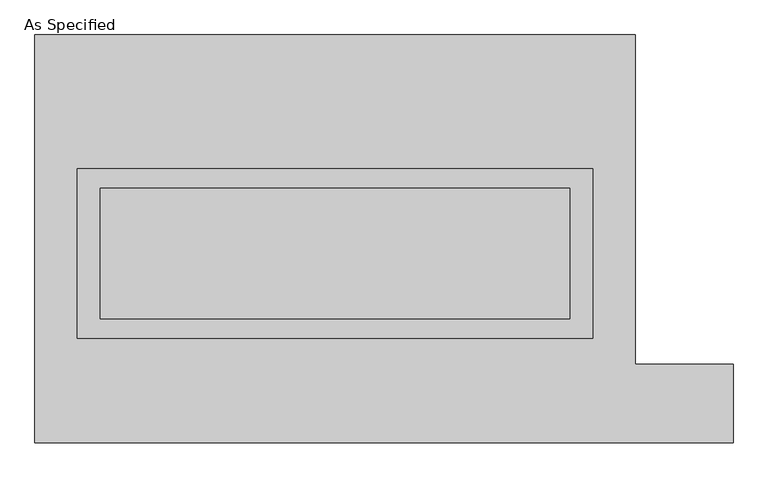
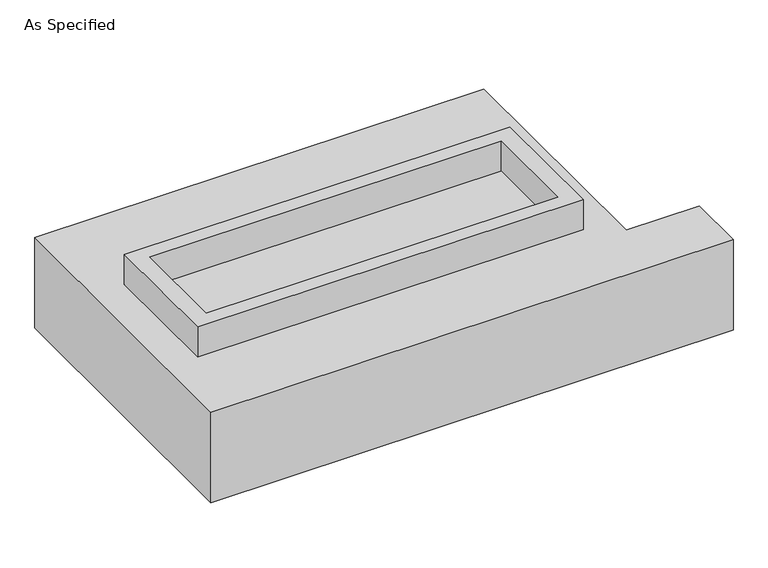
"""IFC4 building model written with IfcOpenShell, lengths in millimetres: proxy geometry, As Specified."""

from ifc_helpers import new_model, si_unit, frame, origin, place, context, project, spatial, polyline, outline, extrude, source, transform, mapped, element, save


def as_specified_348ee624(model_context):
    return source(origin(), model_context, "Body", "SweptSolid", [
        extrude(outline(polyline([(1003.3, 273.05), (1003.3, -387.35), (-1003.3, -387.35), (-1003.3, 273.05), (1003.3, 273.05)]), holes=[polyline([(914.4, 196.85), (-914.4, 196.85), (-914.4, -311.15), (914.4, -311.15), (914.4, 196.85)])]), frame((0.0, 0.0, -688.975), z_axis=(0.0, 0.0, 1.0), x_axis=(1.0, 0.0, 0.0)), (0.0, 0.0, 1.0), 165.1),
        extrude(outline(polyline([(1003.3, 273.05), (1003.3, -387.35), (-1003.3, -387.35), (-1003.3, 273.05), (1003.3, 273.05)]), holes=[polyline([(914.4, 196.85), (-914.4, 196.85), (-914.4, -311.15), (914.4, -311.15), (914.4, 196.85)])]), frame((0.0, 0.0, -25.4), z_axis=(0.0, 0.0, 1.0), x_axis=(1.0, 0.0, 0.0)), (0.0, 0.0, 1.0), 165.1),
        extrude(outline(polyline([(914.4, 196.85), (914.4, -311.15), (-914.4, -311.15), (-914.4, 196.85), (914.4, 196.85)])), frame((0.0, 0.0, -523.875), z_axis=(0.0, 0.0, 1.0), x_axis=(1.0, 0.0, 0.0)), (0.0, 0.0, 1.0), 4.9609375),
        extrude(outline(polyline([(914.4, 196.85), (914.4, -311.15), (-914.4, -311.15), (-914.4, 196.85), (914.4, 196.85)])), frame((0.0, 0.0, -30.3609375), z_axis=(0.0, 0.0, 1.0), x_axis=(1.0, 0.0, 0.0)), (0.0, 0.0, 1.0), 4.9609375),
        extrude(outline(polyline([(-1168.4, 793.75), (1168.4, 793.75), (1168.4, -488.95), (1549.4, -488.95), (1549.4, -793.75), (-1168.4, -793.75), (-1168.4, 793.75)]), holes=[polyline([(-1003.3, 273.05), (-1003.3, -387.35), (1003.3, -387.35), (1003.3, 273.05), (-1003.3, 273.05)])]), frame((0.0, 0.0, -523.875), z_axis=(0.0, 0.0, 1.0), x_axis=(1.0, 0.0, 0.0)), (0.0, 0.0, 1.0), 498.475),
    ])


if __name__ == "__main__":
    model = new_model("IFC4")
    model_context = context("Model", 3, world=origin())
    ifc_project = project(units=[si_unit("LENGTHUNIT", "METRE", prefix="MILLI")], contexts=[model_context])
    site = spatial("IfcSite", under=ifc_project)
    building = spatial("IfcBuilding", under=site)
    placement = place(None, origin())
    as_specified_shape = as_specified_348ee624(model_context)
    element("IfcBuildingElementProxy", 1, Name="As Specified", ObjectType="As Specified", at=placement, inside=building, context=model_context, shape_type="MappedRepresentation", body=[
        mapped(as_specified_shape, transform((0.0, 0.0, 0.0), x_axis=(1.0, 0.0, 0.0), y_axis=(0.0, 1.0, 0.0), z_axis=(0.0, 0.0, 1.0))),
    ])
    save(model, "model.ifc")
